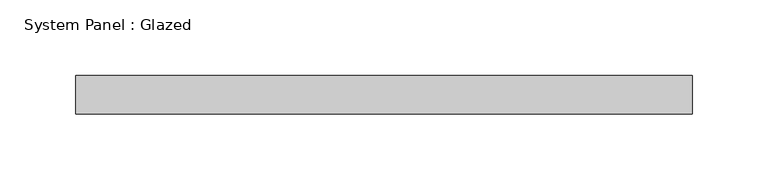
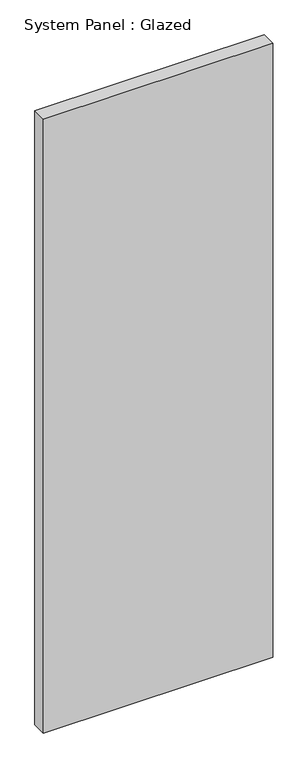
"""IFC4 building model written with IfcOpenShell, lengths in millimetres: plate geometry, System Panel : Glazed."""

from ifc_helpers import new_model, si_unit, origin, origin_with_axes, place, context, project, spatial, polyline, outline, extrude, source, transform, mapped, element, save


def system_panel_glazed_5b2a9c7f(model_context):
    return source(origin(), model_context, "Body", "SweptSolid", [
        extrude(outline(polyline([(203.2, -12.7), (-203.2, -12.7), (-203.2, 12.7), (203.2, 12.7), (203.2, -12.7)])), origin_with_axes(), (0.0, 0.0, 1.0), 1149.35),
    ])


if __name__ == "__main__":
    model = new_model("IFC4")
    model_context = context("Model", 3, world=origin())
    ifc_project = project(units=[si_unit("LENGTHUNIT", "METRE", prefix="MILLI")], contexts=[model_context])
    site = spatial("IfcSite", under=ifc_project)
    building = spatial("IfcBuilding", under=site)
    placement = place(None, origin())
    system_panel_glazed_shape = system_panel_glazed_5b2a9c7f(model_context)
    element("IfcPlate", 1, ObjectType="System Panel : Glazed", at=placement, inside=building, context=model_context, shape_type="MappedRepresentation", body=[
        mapped(system_panel_glazed_shape, transform((0.0, 0.0, 0.0), x_axis=(1.0, 0.0, 0.0), y_axis=(0.0, 1.0, 0.0), z_axis=(0.0, 0.0, 1.0))),
    ])
    save(model, "model.ifc")
